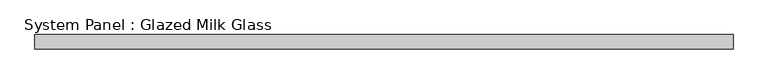
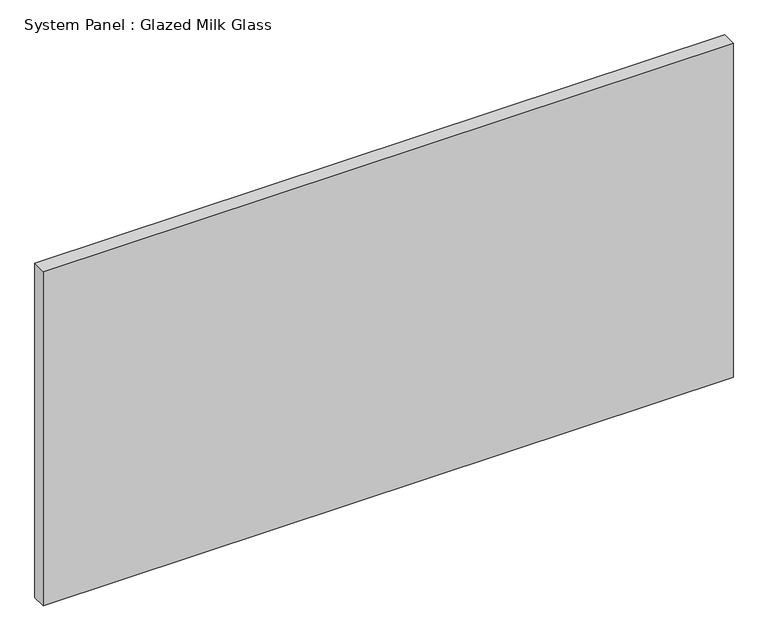
"""IFC4 building model written with IfcOpenShell, lengths in millimetres: plate geometry, System Panel : Glazed Milk Glass."""

import ifcopenshell
import ifcopenshell.guid

model = None  # the IFC model being written
_history = None  # IfcOwnerHistory: only IFC2X3 demands one
_inside = {}  # id of a spatial element -> (the spatial element, [elements in it])
_under = {}  # id of a project, library or spatial element -> (it, [spatial elements below it])
_declared = {}  # id of a project -> (the project, [libraries it declares])
_typed = {}  # id of a type object -> (the type object, [elements of that type])
_made_of = {}  # id of a material, layer set ... -> (it, [elements and type objects made of it])


def new_model(schema):
    """Start an empty IFC model of exactly this schema.

    Asked for "IFC4X3", IfcOpenShell would pick the latest addendum, in which some entities
    have other attributes; the version numbers below select the first issue.
    IFC2X3 requires an IfcOwnerHistory on every rooted entity: one is made here for all.
    """
    global model, _history
    if schema == "IFC4X3":
        model = ifcopenshell.file(schema_version=(4, 3, 0, 0))
    else:
        model = ifcopenshell.file(schema=schema)
    _inside.clear()
    _under.clear()
    _declared.clear()
    _typed.clear()
    _made_of.clear()
    _history = None
    if model.schema == "IFC2X3":
        org = make("IfcOrganization", Name="unknown")
        user = make(
            "IfcPersonAndOrganization",
            ThePerson=make("IfcPerson", FamilyName="unknown"),
            TheOrganization=org,
        )
        app = make(
            "IfcApplication",
            ApplicationDeveloper=org,
            Version="unknown",
            ApplicationFullName="unknown",
            ApplicationIdentifier="unknown",
        )
        _history = make(
            "IfcOwnerHistory",
            OwningUser=user,
            OwningApplication=app,
            ChangeAction="ADDED",
            CreationDate=0,
        )
    return model


def make(cls, **values):
    """One entity of the class cls with the attributes given. An attribute that is None is left unset."""
    return model.create_entity(
        cls, **{name: value for name, value in values.items() if value is not None}
    )


def rooted(cls, **values):
    """An entity with a GlobalId (a new one), such as an element, a storey or a relation."""
    return make(cls, GlobalId=ifcopenshell.guid.new(), OwnerHistory=_history, **values)


def si_unit(unit_type, name, prefix=None):
    """IfcSIUnit, for example si_unit("LENGTHUNIT", "METRE", prefix="MILLI")."""
    return make("IfcSIUnit", UnitType=unit_type, Prefix=prefix, Name=name)


def assignment(units):
    """IfcUnitAssignment: the units of a project."""
    return None if units is None else make("IfcUnitAssignment", Units=units)


def point(xyz):
    """IfcCartesianPoint."""
    return None if xyz is None else make("IfcCartesianPoint", Coordinates=xyz)


def direction(xyz):
    """IfcDirection."""
    return None if xyz is None else make("IfcDirection", DirectionRatios=xyz)


def frame(location, z_axis=None, x_axis=None):
    """IfcAxis2Placement3D, a coordinate frame: its origin and axes. An axis left out is left unset."""
    return make(
        "IfcAxis2Placement3D",
        Location=point(location),
        Axis=direction(z_axis),
        RefDirection=direction(x_axis),
    )


def origin():
    """The frame at (0, 0, 0) with its axes left unset."""
    return frame((0.0, 0.0, 0.0))


def origin_with_axes():
    """The frame at (0, 0, 0) with the z axis (0, 0, 1) and the x axis (1, 0, 0) written out."""
    return frame((0.0, 0.0, 0.0), z_axis=(0.0, 0.0, 1.0), x_axis=(1.0, 0.0, 0.0))


def place(relative_to, where):
    """IfcLocalPlacement: puts the frame where relative to a parent placement (None: the world)."""
    return make(
        "IfcLocalPlacement", PlacementRelTo=relative_to, RelativePlacement=where
    )


def context(
    kind, dimensions, precision=None, world=None, true_north=None, identifier=None
):
    """IfcGeometricRepresentationContext, for example the 3D "Model" context."""
    return make(
        "IfcGeometricRepresentationContext",
        ContextIdentifier=identifier,
        ContextType=kind,
        CoordinateSpaceDimension=dimensions,
        Precision=precision,
        WorldCoordinateSystem=world,
        TrueNorth=true_north,
    )


def project(units=None, contexts=None):
    """IfcProject with its units and contexts."""
    return rooted(
        "IfcProject",
        Name="project",
        RepresentationContexts=contexts,
        UnitsInContext=assignment(units),
    )


def spatial(cls, under=None, at=None, **own):
    """A site, building, storey or space (cls), placed at a placement, below another one or the project."""
    s = rooted(cls, ObjectPlacement=at, **own)
    if under is not None:
        _under.setdefault(under.id(), (under, []))[1].append(s)
    return s


def polyline(points):
    """IfcPolyline through the points."""
    return make("IfcPolyline", Points=[point(p) for p in points])


def outline(outer, holes=None, kind="AREA"):
    """IfcArbitraryClosedProfileDef: a profile drawn as a closed curve; with holes, ...WithVoids."""
    if holes is None:
        return make("IfcArbitraryClosedProfileDef", ProfileType=kind, OuterCurve=outer)
    return make(
        "IfcArbitraryProfileDefWithVoids",
        ProfileType=kind,
        OuterCurve=outer,
        InnerCurves=holes,
    )


def extrude(swept, where, along, depth):
    """IfcExtrudedAreaSolid: the profile swept, set in the frame where, extruded along a direction by depth."""
    return make(
        "IfcExtrudedAreaSolid",
        SweptArea=swept,
        Position=where,
        ExtrudedDirection=direction(along),
        Depth=depth,
    )


def shape(context_of_items, identifier, shape_type, items):
    """IfcShapeRepresentation: the items that make up one representation, for example the "Body"."""
    return make(
        "IfcShapeRepresentation",
        ContextOfItems=context_of_items,
        RepresentationIdentifier=identifier,
        RepresentationType=shape_type,
        Items=items,
    )


def source(mapping_origin, context_of_items, identifier, shape_type, items):
    """IfcRepresentationMap: a shape defined once, which mapped items show again and again."""
    return make(
        "IfcRepresentationMap",
        MappingOrigin=mapping_origin,
        MappedRepresentation=shape(context_of_items, identifier, shape_type, items),
    )


def transform(
    local_origin,
    x_axis=None,
    y_axis=None,
    z_axis=None,
    scale=None,
    scale2=None,
    scale3=None,
    uniform=True,
):
    """IfcCartesianTransformationOperator3D, or its non-uniform kind. x_axis, y_axis, z_axis: its Axis1, 2, 3."""
    if uniform:
        return make(
            "IfcCartesianTransformationOperator3D",
            Axis1=direction(x_axis),
            Axis2=direction(y_axis),
            LocalOrigin=point(local_origin),
            Scale=scale,
            Axis3=direction(z_axis),
        )
    return make(
        "IfcCartesianTransformationOperator3DnonUniform",
        Axis1=direction(x_axis),
        Axis2=direction(y_axis),
        LocalOrigin=point(local_origin),
        Scale=scale,
        Axis3=direction(z_axis),
        Scale2=scale2,
        Scale3=scale3,
    )


def mapped(mapping_source, mapping_target):
    """IfcMappedItem: shows the shape of a source again, moved by a transform."""
    return make(
        "IfcMappedItem", MappingSource=mapping_source, MappingTarget=mapping_target
    )


def made_of(thing, what):
    """Note that an element or type object is made of a material, layer set ...; save() writes the relation."""
    if what is not None:
        _made_of.setdefault(what.id(), (what, []))[1].append(thing)
    return thing


def element(
    cls,
    number,
    at=None,
    inside=None,
    cuts=None,
    type_object=None,
    material=None,
    context=None,
    identifier="Body",
    shape_type=None,
    held_by="IfcProductDefinitionShape",
    body=None,
    shapes=None,
    **own,
):
    """One element of the class cls, such as IfcWall. Its Tag is "e" and its number.

    at: its placement. inside: the storey or other place that contains it. cuts: it is an
    opening in that element (IfcRelVoidsElement). A single representation is given by context,
    identifier, shape_type and body (its items); several are given by shapes. held_by: the class
    of the entity that holds the representations. save() writes the other relations.
    """
    e = rooted(cls, Tag="e%d" % number, ObjectPlacement=at, **own)
    if body is not None:
        shapes = [shape(context, identifier, shape_type, body)]
    if shapes is not None:
        e.Representation = make(held_by, Representations=shapes)
    if inside is not None:
        _inside.setdefault(inside.id(), (inside, []))[1].append(e)
    if cuts is not None:
        rooted(
            "IfcRelVoidsElement", RelatingBuildingElement=cuts, RelatedOpeningElement=e
        )
    if type_object is not None:
        _typed.setdefault(type_object.id(), (type_object, []))[1].append(e)
    return made_of(e, material)


def aggregate(whole, parts):
    """IfcRelAggregates: a whole, such as a stair, and the parts it consists of."""
    return rooted("IfcRelAggregates", RelatingObject=whole, RelatedObjects=parts)


def save(model, path):
    """Write the relations noted so far, then the file.

    IfcRelAggregates (storeys below a building ...), IfcRelContainedInSpatialStructure (elements
    in a storey), IfcRelDefinesByType, IfcRelAssociatesMaterial and IfcRelDeclares: one each for
    every whole, place, type object, material and project.
    """
    for whole, parts in _under.values():
        aggregate(whole, parts)
    for where, things in _inside.values():
        rooted(
            "IfcRelContainedInSpatialStructure",
            RelatedElements=things,
            RelatingStructure=where,
        )
    for kind, things in _typed.values():
        rooted("IfcRelDefinesByType", RelatedObjects=things, RelatingType=kind)
    for what, things in _made_of.values():
        rooted("IfcRelAssociatesMaterial", RelatedObjects=things, RelatingMaterial=what)
    for by, libraries in _declared.values():
        rooted("IfcRelDeclares", RelatingContext=by, RelatedDefinitions=libraries)
    model.write(path)


def system_panel_glazed_milk_glass_02c39eef(model_context):
    return source(origin(), model_context, "Body", "SweptSolid", [
        extrude(outline(polyline([(610.0, -12.5), (-610.0, -12.5), (-610.0, 12.5), (610.0, 12.5), (610.0, -12.5)])), origin_with_axes(), (0.0, 0.0, 1.0), 625.0),
    ])


if __name__ == "__main__":
    model = new_model("IFC4")
    model_context = context("Model", 3, world=origin())
    ifc_project = project(units=[si_unit("LENGTHUNIT", "METRE", prefix="MILLI")], contexts=[model_context])
    site = spatial("IfcSite", under=ifc_project)
    building = spatial("IfcBuilding", under=site)
    placement = place(None, origin())
    system_panel_glazed_milk_glass_shape = system_panel_glazed_milk_glass_02c39eef(model_context)
    element("IfcPlate", 1, ObjectType="System Panel : Glazed Milk Glass", at=placement, inside=building, context=model_context, shape_type="MappedRepresentation", body=[
        mapped(system_panel_glazed_milk_glass_shape, transform((0.0, 0.0, 0.0), x_axis=(1.0, 0.0, 0.0), y_axis=(0.0, 1.0, 0.0), z_axis=(0.0, 0.0, 1.0))),
    ])
    save(model, "model.ifc")
